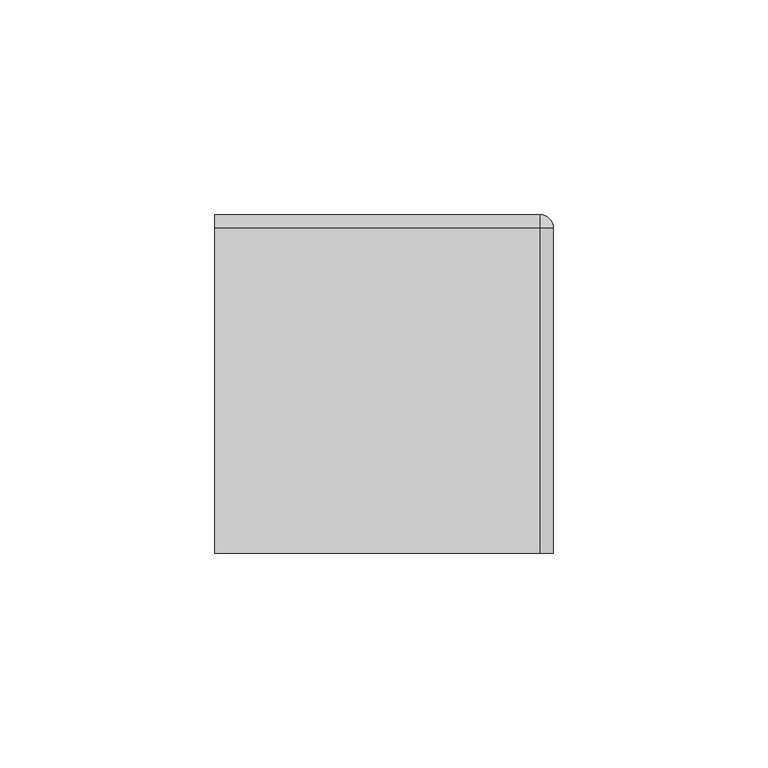
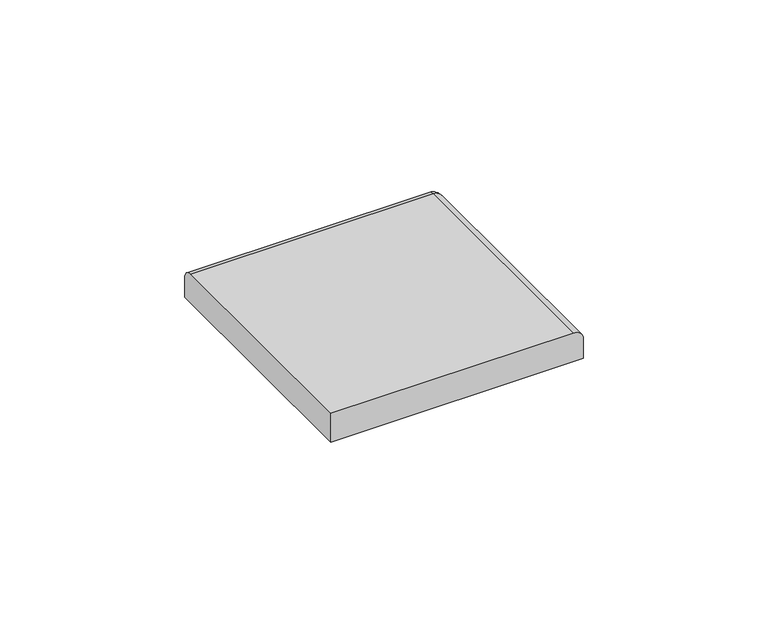
"""IFC4 building model written with IfcOpenShell, lengths in millimetres: furniture geometry."""

from ifc_helpers import new_model, si_unit, point, frame, origin, place, context, project, spatial, circle_curve, ellipse_curve, trimmed, source, transform, mapped, element, save
from ifc_brep_helpers import plane_surface, cylinder_surface, revolved_surface, advanced_brep


def furniture_3fd06107(model_context):
    return source(origin(), model_context, "Body", "AdvancedBrep", [
        advanced_brep(
        [(39.4890625, -39.4890625, 1150.3421875), (39.4890625, -39.4890625, 1156.6921883), (36.3140655, -39.4890625, 1159.8671875), (-39.4890625, -39.4890625, 1159.8671875), (-39.4890625, -39.4890625, 1150.3421875), (39.4890625, 36.3140625, 1150.3421875), (39.4890625, 36.3140625, 1156.6921883), (36.3140655, 36.3140625, 1159.8671875), (-39.4890625, 36.3140633, 1159.8671875), (36.3140655, 36.3140625, 1150.3421875), (-39.4890625, 39.4890625, 1150.3421875), (36.3140655, 39.4890625, 1150.3421875), (-39.4890625, 39.4890625, 1156.6921883), (36.3140655, 39.4890625, 1156.6921883)],
        [
            (0, 1),
            (1, 2, circle_curve(frame((36.3140655, -39.4890625, 1156.6921905), z_axis=(0.0, -1.0, 0.0), x_axis=(-1.0, 0.0, 0.0)), 3.174997)),
            (2, 3),
            (3, 4),
            (4, 0),
            (0, 5),
            (5, 6),
            (6, 1),
            (2, 7),
            (7, 8),
            (8, 3),
            (5, 9),
            (9, 7),
            (7, 6, circle_curve(frame((36.3140655, 36.3140625, 1156.6921905), z_axis=(0.0, 1.0, 0.0), x_axis=(-1.0, 0.0, 0.0)), 3.174997)),
            (4, 10),
            (10, 11),
            (11, 9),
            (8, 12, circle_curve(frame((-39.4890625, 36.3140633, 1156.6921883), z_axis=(-1.0, 0.0, 0.0), x_axis=(0.0, -1.0, 0.0)), 3.1749992)),
            (12, 10),
            (11, 13),
            (13, 7, circle_curve(frame((36.3140655, 36.3140633, 1156.6921883), z_axis=(1.0, 0.0, 0.0), x_axis=(0.0, -1.0, 0.0)), 3.1749992)),
            (12, 13),
        ],
        [
            plane_surface(frame((39.4890625, -39.4890625, 1159.8671875), z_axis=(0.0, -1.0, 0.0), x_axis=(0.0, 0.0, 1.0))),
            plane_surface(frame((39.4890625, -39.4890625, 1150.3421875), z_axis=(1.0, 0.0, 0.0), x_axis=(0.0, 1.0, 0.0))),
            plane_surface(frame((36.3140655, -39.4890625, 1159.8671875), z_axis=(0.0, 0.0, 1.0), x_axis=(0.0, 1.0, 0.0))),
            plane_surface(frame((39.4890625, 36.3140625, 1159.8671875), z_axis=(0.0, 1.0, 0.0), x_axis=(0.0, 0.0, 1.0))),
            plane_surface(frame((-39.4890625, -39.4890625, 1150.3421875), z_axis=(0.0, 0.0, -1.0), x_axis=(0.0, 1.0, 0.0))),
            cylinder_surface(frame((36.3140655, -39.4890625, 1156.6921905), z_axis=(0.0, -1.0, 0.0), x_axis=(-1.0, 0.0, 0.0)), 3.174997),
            plane_surface(frame((-39.4890625, -39.4890625, 1159.8671875), z_axis=(-1.0, 0.0, 0.0), x_axis=(0.0, 1.0, 0.0))),
            plane_surface(frame((36.3140655, 39.4890625, 0.0), z_axis=(1.0, 0.0, 0.0), x_axis=(0.0, 0.0, 1.0))),
            plane_surface(frame((36.3140655, 39.4890625, 1150.3421875), z_axis=(0.0, 1.0, 0.0), x_axis=(-1.0, 0.0, 0.0))),
            cylinder_surface(frame((36.3140655, 36.3140633, 1156.6921883), z_axis=(1.0, 0.0, 0.0), x_axis=(0.0, -1.0, 0.0)), 3.1749992),
        ],
        [
            (0, [[1, 2, 3, 4, 5]]),
            (1, [[-1, 6, 7, 8]]),
            (2, [[-3, 9, 10, 11]]),
            (3, [[-7, 12, 13, 14]]),
            (4, [[-5, 15, 16, 17, -12, -6]]),
            (5, [[-2, -8, -14, -9]]),
            (6, [[-15, -4, -11, 18, 19]]),
            (7, [[-17, 20, 21, -13]]),
            (8, [[-20, -16, -19, 22]]),
            (9, [[-21, -22, -18, -10]]),
        ],
    ),
        advanced_brep(
        [(36.3140655, 39.4890595, 1150.3421875), (36.3140655, 36.3140625, 1150.3421875), (36.3140655, 36.3140625, 1159.8671875), (36.3140655, 39.4890595, 1156.6921883), (39.4890625, 36.3140625, 1150.3421875), (39.4890625, 36.3140625, 1156.6921883)],
        [
            (0, 1),
            (1, 2),
            (2, 3, circle_curve(frame((36.3140655, 36.3140625, 1156.6921905), z_axis=(-1.0000000000000002, 0.0, 0.0), x_axis=(0.0, -1.0000000000000002, 0.0)), 3.174997)),
            (3, 0),
            (4, 5),
            (5, 2, circle_curve(frame((36.3140655, 36.3140625, 1156.6921905), z_axis=(0.0, -1.0000000000000002, 0.0), x_axis=(-1.0000000000000002, 0.0, 0.0)), 3.174997)),
            (1, 4),
            (0, 4, circle_curve(frame((36.3140655, 36.3140625, 1150.3421875), z_axis=(0.0, 0.0, -1.0), x_axis=(0.0, 1.0000000000000002, 0.0)), 3.174997)),
            (5, 3, circle_curve(frame((36.3140655, 36.3140625, 1156.6921883), z_axis=(0.0, 0.0, 1.0), x_axis=(0.0, 1.0000000000000002, 0.0)), 3.174997)),
        ],
        [
            plane_surface(frame((36.3140655, 36.3140625, 1150.3421875), z_axis=(-1.0, 0.0, 0.0), x_axis=(0.0, 1.0, 0.0))),
            plane_surface(frame((36.3140655, 36.3140625, 1150.3421875), z_axis=(0.0, -1.0, 0.0), x_axis=(1.0, 0.0, 0.0))),
            plane_surface(frame((36.3140655, 36.3140625, 1150.3421875), z_axis=(0.0, 0.0, -1.0), x_axis=(0.0, 1.0, 0.0))),
            revolved_surface(trimmed(ellipse_curve(frame((36.3140655, 36.3140625, 1156.6921905), z_axis=(-1.0000000000000002, 0.0, 0.0), x_axis=(0.0, -1.0000000000000002, 0.0)), 3.174997, 3.174997), [point((36.3140655, 36.3140625, 1159.8671875))], [point((36.3140655, 39.4890595, 1156.6921883))], True, "CARTESIAN"), (36.3140655, 36.3140625, 1150.3421875), (0.0, 0.0, -1.0)),
            cylinder_surface(frame((36.3140655, 36.3140625, 1150.3421875), z_axis=(0.0, 0.0, -1.0), x_axis=(0.0, 1.0000000000000002, 0.0)), 3.174997),
        ],
        [
            (0, [[1, 2, 3, 4]]),
            (1, [[5, 6, -2, 7]]),
            (2, [[-1, 8, -7]]),
            (3, [[9, -3, -6]]),
            (4, [[-8, -4, -9, -5]]),
        ],
    ),
    ])


if __name__ == "__main__":
    model = new_model("IFC4")
    model_context = context("Model", 3, world=origin())
    ifc_project = project(units=[si_unit("LENGTHUNIT", "METRE", prefix="MILLI")], contexts=[model_context])
    site = spatial("IfcSite", under=ifc_project)
    building = spatial("IfcBuilding", under=site)
    placement = place(None, origin())
    furniture_shape = furniture_3fd06107(model_context)
    element("IfcFurniture", 1, at=placement, inside=building, context=model_context, shape_type="MappedRepresentation", body=[
        mapped(furniture_shape, transform((0.0, 0.0, 0.0), x_axis=(1.0, 0.0, 0.0), y_axis=(0.0, 1.0, 0.0), z_axis=(0.0, 0.0, 1.0))),
    ])
    save(model, "model.ifc")
